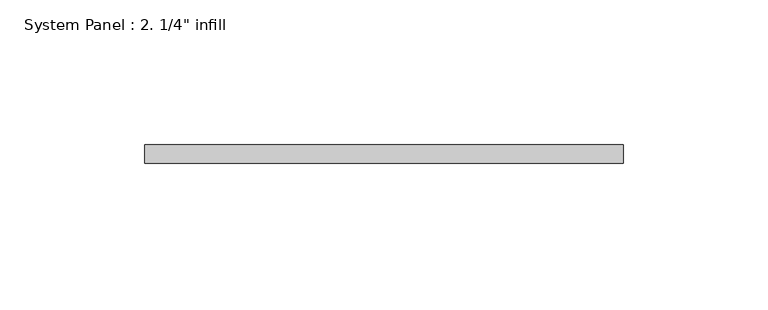
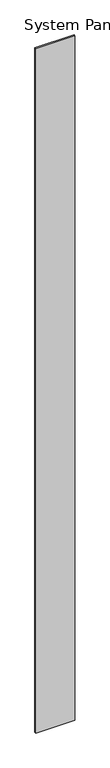
"""IFC4 building model written with IfcOpenShell, lengths in millimetres: plate geometry."""

from ifc_helpers import new_model, si_unit, origin, origin_with_axes, place, context, project, spatial, polyline, outline, extrude, source, transform, mapped, element, save


def plate_0f26f2f9(model_context):
    return source(origin(), model_context, "Body", "SweptSolid", [
        extrude(outline(polyline([(82.55, -6.35), (-82.55, -6.35), (-82.55, 0.0), (82.55, 0.0), (82.55, -6.35)])), origin_with_axes(), (0.0, 0.0, 1.0), 3048.0),
    ])


if __name__ == "__main__":
    model = new_model("IFC4")
    model_context = context("Model", 3, world=origin())
    ifc_project = project(units=[si_unit("LENGTHUNIT", "METRE", prefix="MILLI")], contexts=[model_context])
    site = spatial("IfcSite", under=ifc_project)
    building = spatial("IfcBuilding", under=site)
    placement = place(None, origin())
    plate_shape = plate_0f26f2f9(model_context)
    element("IfcPlate", 1, ObjectType="System Panel : 2. 1/4\" infill", at=placement, inside=building, context=model_context, shape_type="MappedRepresentation", body=[
        mapped(plate_shape, transform((0.0, 0.0, 0.0), x_axis=(1.0, 0.0, 0.0), y_axis=(0.0, 1.0, 0.0), z_axis=(0.0, 0.0, 1.0))),
    ])
    save(model, "model.ifc")
